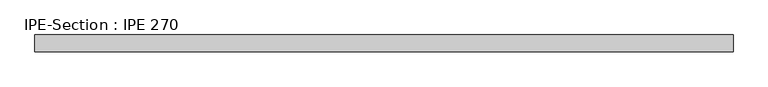
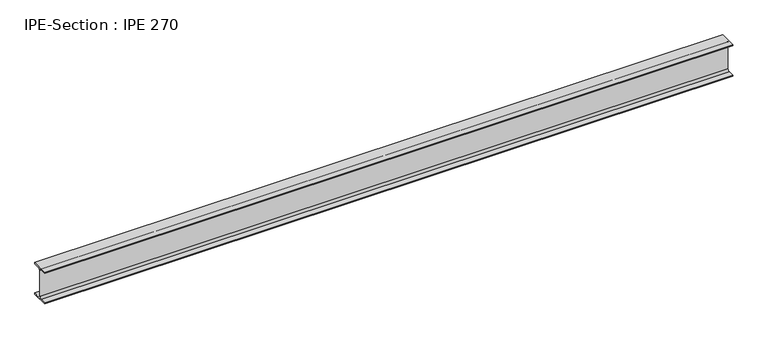
"""IFC4 building model written with IfcOpenShell, lengths in millimetres: beam geometry, IPE-Section : IPE 270."""

from ifc_helpers import new_model, si_unit, point, frame, frame_2d, origin, place, context, project, spatial, polyline, circle_curve, trimmed, segment, composite_curve, outline, extrude, source, transform, mapped, element, save


def ipe_section_ipe_270_21895c97(model_context):
    return source(origin(), model_context, "Body", "SweptSolid", [
        extrude(outline(composite_curve([segment(polyline([(67.5, -124.8), (67.5, -135.0), (-67.5, -135.0), (-67.5, -124.8), (-18.3, -124.8)]), True, "CONTINUOUS"), segment(trimmed(circle_curve(frame_2d((-18.3, -109.8)), 15.0), [point((-18.3, -124.8))], [point((-3.3, -109.8))], True, "CARTESIAN"), True, "CONTINUOUS"), segment(polyline([(-3.3, -109.8), (-3.3, 109.8)]), True, "CONTINUOUS"), segment(trimmed(circle_curve(frame_2d((-18.3, 109.8)), 15.0), [point((-3.3, 109.8))], [point((-18.3, 124.8))], True, "CARTESIAN"), True, "CONTINUOUS"), segment(polyline([(-18.3, 124.8), (-67.5, 124.8), (-67.5, 135.0), (67.5, 135.0), (67.5, 124.8), (18.3, 124.8)]), True, "CONTINUOUS"), segment(trimmed(circle_curve(frame_2d((18.3, 109.8)), 15.0), [point((18.3, 124.8))], [point((3.3, 109.8))], True, "CARTESIAN"), True, "CONTINUOUS"), segment(polyline([(3.3, 109.8), (3.3, -109.8)]), True, "CONTINUOUS"), segment(trimmed(circle_curve(frame_2d((18.3, -109.8)), 15.0), [point((3.3, -109.8))], [point((18.3, -124.8))], True, "CARTESIAN"), True, "CONTINUOUS"), segment(polyline([(18.3, -124.8), (67.5, -124.8)]), True, "CONTINUOUS")], self_intersect=False)), frame((-2760.6367374, 0.0, 0.0), z_axis=(1.0, 0.0, 0.0), x_axis=(0.0, 1.0, 0.0)), (0.0, 0.0, 1.0), 5530.3027887),
    ])


if __name__ == "__main__":
    model = new_model("IFC4")
    model_context = context("Model", 3, world=origin())
    ifc_project = project(units=[si_unit("LENGTHUNIT", "METRE", prefix="MILLI")], contexts=[model_context])
    site = spatial("IfcSite", under=ifc_project)
    building = spatial("IfcBuilding", under=site)
    placement = place(None, origin())
    ipe_section_ipe_270_shape = ipe_section_ipe_270_21895c97(model_context)
    element("IfcBeam", 1, ObjectType="IPE-Section : IPE 270", at=placement, inside=building, context=model_context, shape_type="MappedRepresentation", body=[
        mapped(ipe_section_ipe_270_shape, transform((0.0, 0.0, 0.0), x_axis=(1.0, 0.0, 0.0), y_axis=(0.0, 1.0, 0.0), z_axis=(0.0, 0.0, 1.0))),
    ])
    save(model, "model.ifc")
